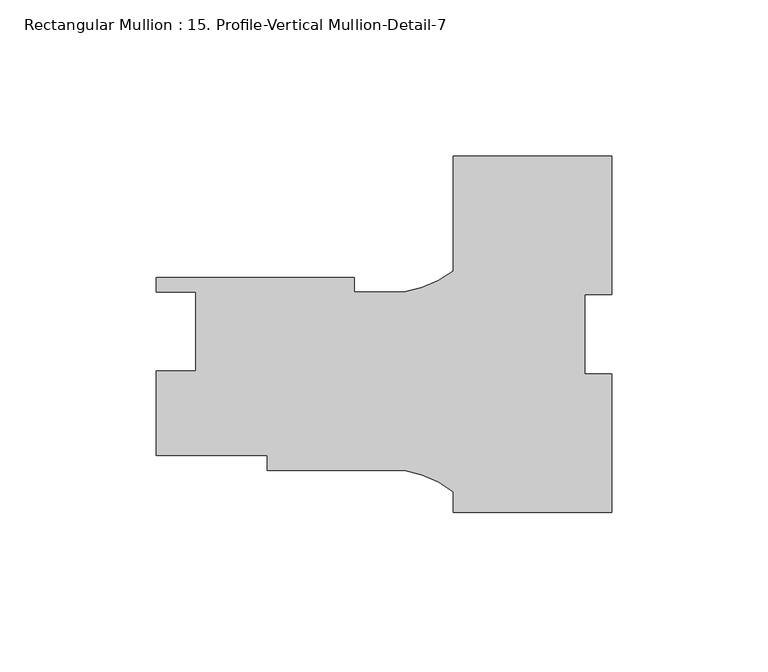
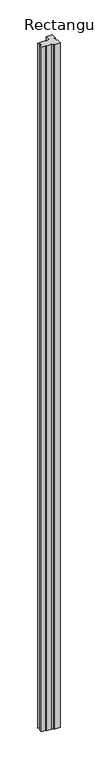
"""IFC4 building model written with IfcOpenShell, lengths in millimetres: member geometry, Rectangular Mullion : 15. Profile-Vertical Mullion-Detail-7."""

import ifcopenshell
import ifcopenshell.guid

model = None  # the IFC model being written
_history = None  # IfcOwnerHistory: only IFC2X3 demands one
_inside = {}  # id of a spatial element -> (the spatial element, [elements in it])
_under = {}  # id of a project, library or spatial element -> (it, [spatial elements below it])
_declared = {}  # id of a project -> (the project, [libraries it declares])
_typed = {}  # id of a type object -> (the type object, [elements of that type])
_made_of = {}  # id of a material, layer set ... -> (it, [elements and type objects made of it])


def new_model(schema):
    """Start an empty IFC model of exactly this schema.

    Asked for "IFC4X3", IfcOpenShell would pick the latest addendum, in which some entities
    have other attributes; the version numbers below select the first issue.
    IFC2X3 requires an IfcOwnerHistory on every rooted entity: one is made here for all.
    """
    global model, _history
    if schema == "IFC4X3":
        model = ifcopenshell.file(schema_version=(4, 3, 0, 0))
    else:
        model = ifcopenshell.file(schema=schema)
    _inside.clear()
    _under.clear()
    _declared.clear()
    _typed.clear()
    _made_of.clear()
    _history = None
    if model.schema == "IFC2X3":
        org = make("IfcOrganization", Name="unknown")
        user = make(
            "IfcPersonAndOrganization",
            ThePerson=make("IfcPerson", FamilyName="unknown"),
            TheOrganization=org,
        )
        app = make(
            "IfcApplication",
            ApplicationDeveloper=org,
            Version="unknown",
            ApplicationFullName="unknown",
            ApplicationIdentifier="unknown",
        )
        _history = make(
            "IfcOwnerHistory",
            OwningUser=user,
            OwningApplication=app,
            ChangeAction="ADDED",
            CreationDate=0,
        )
    return model


def make(cls, **values):
    """One entity of the class cls with the attributes given. An attribute that is None is left unset."""
    return model.create_entity(
        cls, **{name: value for name, value in values.items() if value is not None}
    )


def rooted(cls, **values):
    """An entity with a GlobalId (a new one), such as an element, a storey or a relation."""
    return make(cls, GlobalId=ifcopenshell.guid.new(), OwnerHistory=_history, **values)


def si_unit(unit_type, name, prefix=None):
    """IfcSIUnit, for example si_unit("LENGTHUNIT", "METRE", prefix="MILLI")."""
    return make("IfcSIUnit", UnitType=unit_type, Prefix=prefix, Name=name)


def assignment(units):
    """IfcUnitAssignment: the units of a project."""
    return None if units is None else make("IfcUnitAssignment", Units=units)


def point(xyz):
    """IfcCartesianPoint."""
    return None if xyz is None else make("IfcCartesianPoint", Coordinates=xyz)


def direction(xyz):
    """IfcDirection."""
    return None if xyz is None else make("IfcDirection", DirectionRatios=xyz)


def frame(location, z_axis=None, x_axis=None):
    """IfcAxis2Placement3D, a coordinate frame: its origin and axes. An axis left out is left unset."""
    return make(
        "IfcAxis2Placement3D",
        Location=point(location),
        Axis=direction(z_axis),
        RefDirection=direction(x_axis),
    )


def frame_2d(location, x_axis=None):
    """IfcAxis2Placement2D, a coordinate frame in the plane: its origin and x axis."""
    return make(
        "IfcAxis2Placement2D", Location=point(location), RefDirection=direction(x_axis)
    )


def origin():
    """The frame at (0, 0, 0) with its axes left unset."""
    return frame((0.0, 0.0, 0.0))


def place(relative_to, where):
    """IfcLocalPlacement: puts the frame where relative to a parent placement (None: the world)."""
    return make(
        "IfcLocalPlacement", PlacementRelTo=relative_to, RelativePlacement=where
    )


def context(
    kind, dimensions, precision=None, world=None, true_north=None, identifier=None
):
    """IfcGeometricRepresentationContext, for example the 3D "Model" context."""
    return make(
        "IfcGeometricRepresentationContext",
        ContextIdentifier=identifier,
        ContextType=kind,
        CoordinateSpaceDimension=dimensions,
        Precision=precision,
        WorldCoordinateSystem=world,
        TrueNorth=true_north,
    )


def project(units=None, contexts=None):
    """IfcProject with its units and contexts."""
    return rooted(
        "IfcProject",
        Name="project",
        RepresentationContexts=contexts,
        UnitsInContext=assignment(units),
    )


def spatial(cls, under=None, at=None, **own):
    """A site, building, storey or space (cls), placed at a placement, below another one or the project."""
    s = rooted(cls, ObjectPlacement=at, **own)
    if under is not None:
        _under.setdefault(under.id(), (under, []))[1].append(s)
    return s


def polyline(points):
    """IfcPolyline through the points."""
    return make("IfcPolyline", Points=[point(p) for p in points])


def circle_curve(where, radius):
    """IfcCircle in the frame where."""
    return make("IfcCircle", Position=where, Radius=radius)


def trimmed(basis, trim1, trim2, sense, master):
    """IfcTrimmedCurve: the piece of a basis curve between two trims."""
    return make(
        "IfcTrimmedCurve",
        BasisCurve=basis,
        Trim1=trim1,
        Trim2=trim2,
        SenseAgreement=sense,
        MasterRepresentation=master,
    )


def segment(curve, same_sense, transition):
    """IfcCompositeCurveSegment."""
    return make(
        "IfcCompositeCurveSegment",
        Transition=transition,
        SameSense=same_sense,
        ParentCurve=curve,
    )


def composite_curve(segments, self_intersect=None):
    """IfcCompositeCurve: segments joined end to end."""
    return make("IfcCompositeCurve", Segments=segments, SelfIntersect=self_intersect)


def outline(outer, holes=None, kind="AREA"):
    """IfcArbitraryClosedProfileDef: a profile drawn as a closed curve; with holes, ...WithVoids."""
    if holes is None:
        return make("IfcArbitraryClosedProfileDef", ProfileType=kind, OuterCurve=outer)
    return make(
        "IfcArbitraryProfileDefWithVoids",
        ProfileType=kind,
        OuterCurve=outer,
        InnerCurves=holes,
    )


def extrude(swept, where, along, depth):
    """IfcExtrudedAreaSolid: the profile swept, set in the frame where, extruded along a direction by depth."""
    return make(
        "IfcExtrudedAreaSolid",
        SweptArea=swept,
        Position=where,
        ExtrudedDirection=direction(along),
        Depth=depth,
    )


def shape(context_of_items, identifier, shape_type, items):
    """IfcShapeRepresentation: the items that make up one representation, for example the "Body"."""
    return make(
        "IfcShapeRepresentation",
        ContextOfItems=context_of_items,
        RepresentationIdentifier=identifier,
        RepresentationType=shape_type,
        Items=items,
    )


def source(mapping_origin, context_of_items, identifier, shape_type, items):
    """IfcRepresentationMap: a shape defined once, which mapped items show again and again."""
    return make(
        "IfcRepresentationMap",
        MappingOrigin=mapping_origin,
        MappedRepresentation=shape(context_of_items, identifier, shape_type, items),
    )


def transform(
    local_origin,
    x_axis=None,
    y_axis=None,
    z_axis=None,
    scale=None,
    scale2=None,
    scale3=None,
    uniform=True,
):
    """IfcCartesianTransformationOperator3D, or its non-uniform kind. x_axis, y_axis, z_axis: its Axis1, 2, 3."""
    if uniform:
        return make(
            "IfcCartesianTransformationOperator3D",
            Axis1=direction(x_axis),
            Axis2=direction(y_axis),
            LocalOrigin=point(local_origin),
            Scale=scale,
            Axis3=direction(z_axis),
        )
    return make(
        "IfcCartesianTransformationOperator3DnonUniform",
        Axis1=direction(x_axis),
        Axis2=direction(y_axis),
        LocalOrigin=point(local_origin),
        Scale=scale,
        Axis3=direction(z_axis),
        Scale2=scale2,
        Scale3=scale3,
    )


def mapped(mapping_source, mapping_target):
    """IfcMappedItem: shows the shape of a source again, moved by a transform."""
    return make(
        "IfcMappedItem", MappingSource=mapping_source, MappingTarget=mapping_target
    )


def made_of(thing, what):
    """Note that an element or type object is made of a material, layer set ...; save() writes the relation."""
    if what is not None:
        _made_of.setdefault(what.id(), (what, []))[1].append(thing)
    return thing


def element(
    cls,
    number,
    at=None,
    inside=None,
    cuts=None,
    type_object=None,
    material=None,
    context=None,
    identifier="Body",
    shape_type=None,
    held_by="IfcProductDefinitionShape",
    body=None,
    shapes=None,
    **own,
):
    """One element of the class cls, such as IfcWall. Its Tag is "e" and its number.

    at: its placement. inside: the storey or other place that contains it. cuts: it is an
    opening in that element (IfcRelVoidsElement). A single representation is given by context,
    identifier, shape_type and body (its items); several are given by shapes. held_by: the class
    of the entity that holds the representations. save() writes the other relations.
    """
    e = rooted(cls, Tag="e%d" % number, ObjectPlacement=at, **own)
    if body is not None:
        shapes = [shape(context, identifier, shape_type, body)]
    if shapes is not None:
        e.Representation = make(held_by, Representations=shapes)
    if inside is not None:
        _inside.setdefault(inside.id(), (inside, []))[1].append(e)
    if cuts is not None:
        rooted(
            "IfcRelVoidsElement", RelatingBuildingElement=cuts, RelatedOpeningElement=e
        )
    if type_object is not None:
        _typed.setdefault(type_object.id(), (type_object, []))[1].append(e)
    return made_of(e, material)


def aggregate(whole, parts):
    """IfcRelAggregates: a whole, such as a stair, and the parts it consists of."""
    return rooted("IfcRelAggregates", RelatingObject=whole, RelatedObjects=parts)


def save(model, path):
    """Write the relations noted so far, then the file.

    IfcRelAggregates (storeys below a building ...), IfcRelContainedInSpatialStructure (elements
    in a storey), IfcRelDefinesByType, IfcRelAssociatesMaterial and IfcRelDeclares: one each for
    every whole, place, type object, material and project.
    """
    for whole, parts in _under.values():
        aggregate(whole, parts)
    for where, things in _inside.values():
        rooted(
            "IfcRelContainedInSpatialStructure",
            RelatedElements=things,
            RelatingStructure=where,
        )
    for kind, things in _typed.values():
        rooted("IfcRelDefinesByType", RelatedObjects=things, RelatingType=kind)
    for what, things in _made_of.values():
        rooted("IfcRelAssociatesMaterial", RelatedObjects=things, RelatingMaterial=what)
    for by, libraries in _declared.values():
        rooted("IfcRelDeclares", RelatingContext=by, RelatedDefinitions=libraries)
    model.write(path)


def rectangular_mullion_15_profile_vertical_mullion_detail_7_76db4aaa(model_context):
    return source(origin(), model_context, "Body", "SweptSolid", [
        extrude(outline(composite_curve([segment(polyline([(25.4, 13.0555365), (16.66875, 13.0555365), (16.66875, -12.3444635), (25.4, -12.3444635), (25.4, -56.7944635), (-25.4, -56.7944635), (-25.4, -50.1687178)]), True, "CONTINUOUS"), segment(trimmed(circle_curve(frame_2d((-47.5843006, -79.7127549)), 36.945816), [point((-25.4, -50.1687178))], [point((-41.2172861, -43.3197))], True, "CARTESIAN"), True, "CONTINUOUS"), segment(polyline([(-41.2172861, -43.3197), (-85.0500517, -43.3197), (-85.0500517, -38.5572), (-120.65, -38.5572), (-120.65, -11.5062), (-107.95, -11.5062), (-107.95, 13.8938), (-120.65, 13.8938), (-120.65, 18.5928), (-57.15, 18.5928), (-57.15, 13.8303), (-41.2187366, 13.8303)]), True, "CONTINUOUS"), segment(trimmed(circle_curve(frame_2d((-47.5843006, 50.2236087)), 36.945816), [point((-41.2187366, 13.8303))], [point((-25.4, 20.6795716))], True, "CARTESIAN"), True, "CONTINUOUS"), segment(polyline([(-25.4, 20.6795716), (-25.4, 57.5055365), (25.4, 57.5055365), (25.4, 13.0555365)]), True, "CONTINUOUS")], self_intersect=False)), frame((0.0, 0.0, -6096.0), z_axis=(0.0, 0.0, 1.0), x_axis=(1.0, 0.0, 0.0)), (0.0, 0.0, 1.0), 6096.0),
    ])


if __name__ == "__main__":
    model = new_model("IFC4")
    model_context = context("Model", 3, world=origin())
    ifc_project = project(units=[si_unit("LENGTHUNIT", "METRE", prefix="MILLI")], contexts=[model_context])
    site = spatial("IfcSite", under=ifc_project)
    building = spatial("IfcBuilding", under=site)
    placement = place(None, origin())
    rectangular_mullion_15_profile_vertical_mullion_detail_7_shape = rectangular_mullion_15_profile_vertical_mullion_detail_7_76db4aaa(model_context)
    element("IfcMember", 1, ObjectType="Rectangular Mullion : 15. Profile-Vertical Mullion-Detail-7", at=placement, inside=building, context=model_context, shape_type="MappedRepresentation", body=[
        mapped(rectangular_mullion_15_profile_vertical_mullion_detail_7_shape, transform((0.0, 0.0, 0.0), x_axis=(1.0, 0.0, 0.0), y_axis=(0.0, 1.0, 0.0), z_axis=(0.0, 0.0, 1.0))),
    ])
    save(model, "model.ifc")
